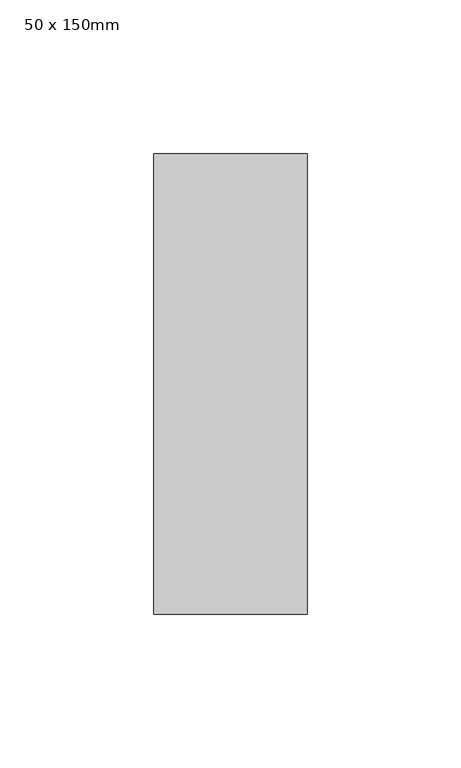
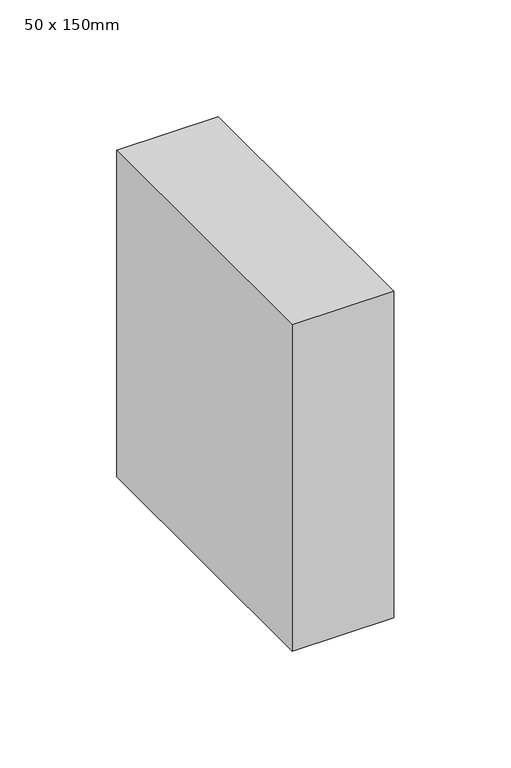
"""IFC4 building model written with IfcOpenShell, lengths in millimetres: member geometry, 50 x 150mm."""

from ifc_helpers import new_model, si_unit, frame, origin, place, context, project, spatial, polyline, outline, extrude, source, transform, mapped, element, save


def member_50_x_150mm_26005465(model_context):
    return source(origin(), model_context, "Body", "SweptSolid", [
        extrude(outline(polyline([(0.0, 75.0), (0.0, -75.0), (-50.0, -75.0), (-50.0, 75.0), (0.0, 75.0)])), frame((0.0, 0.0, -170.3198841), z_axis=(0.0, 0.0, 1.0), x_axis=(1.0, 0.0, 0.0)), (0.0, 0.0, 1.0), 170.3198841),
    ])


if __name__ == "__main__":
    model = new_model("IFC4")
    model_context = context("Model", 3, world=origin())
    ifc_project = project(units=[si_unit("LENGTHUNIT", "METRE", prefix="MILLI")], contexts=[model_context])
    site = spatial("IfcSite", under=ifc_project)
    building = spatial("IfcBuilding", under=site)
    placement = place(None, origin())
    member_50_x_150mm_shape = member_50_x_150mm_26005465(model_context)
    element("IfcMember", 1, ObjectType="50 x 150mm", at=placement, inside=building, context=model_context, shape_type="MappedRepresentation", body=[
        mapped(member_50_x_150mm_shape, transform((0.0, 0.0, 0.0), x_axis=(1.0, 0.0, 0.0), y_axis=(0.0, 1.0, 0.0), z_axis=(0.0, 0.0, 1.0))),
    ])
    save(model, "model.ifc")
